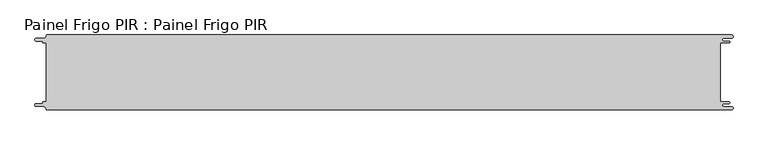
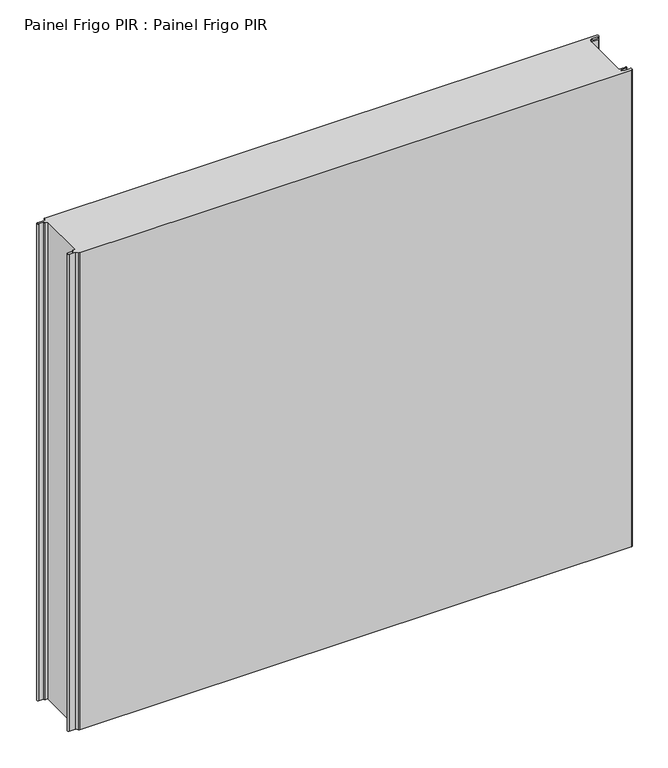
"""IFC4 building model written with IfcOpenShell, lengths in millimetres: proxy geometry, Painel Frigo PIR : Painel Frigo PIR."""

from ifc_helpers import new_model, si_unit, frame, origin, place, context, project, spatial, polyline, circle_curve, source, transform, mapped, element, save
from ifc_brep_helpers import plane_surface, cylinder_surface, revolved_surface, advanced_brep


def painel_frigo_pir_painel_frigo_pir_bb5a8152(model_context):
    return source(origin(), model_context, "Body", "AdvancedBrep", [
        advanced_brep(
        [(-554.5874998, 47.3, 1000.0), (-549.2999612, 47.3, 1000.0), (-549.2999612, -47.2999995, 1000.0), (-554.5874998, -47.2999995, 1000.0), (-555.1875003, -47.9, 1000.0), (-555.1875003, -48.7085185, 1000.0), (-556.5875003, -50.1085185, 1000.0), (-565.565625, -50.1085185, 1000.0), (-565.565625, -54.5085185, 1000.0), (-553.55, -54.5085185, 1000.0), (-550.0, -58.0585185, 1000.0), (-548.05, -60.0, 1000.0), (546.89375, -60.0, 1000.0), (546.89375, -54.725, 1000.0), (534.45625, -54.725, 1000.0), (534.45625, -49.875, 1000.0), (543.1187503, -49.875, 1000.0), (543.1187503, -47.3, 1000.0), (529.2687503, -47.3, 1000.0), (529.2687503, 47.3, 1000.0), (543.1187503, 47.3, 1000.0), (543.1187503, 49.875, 1000.0), (534.45625, 49.875, 1000.0), (534.45625, 54.725, 1000.0), (546.89375, 54.725, 1000.0), (546.89375, 60.0, 1000.0), (-548.05, 60.0, 1000.0), (-550.0, 58.05, 1000.0), (-553.55, 54.5085185, 1000.0), (-565.565625, 54.5085185, 1000.0), (-565.565625, 50.1085187, 1000.0), (-556.5875001, 50.1085187, 1000.0), (-555.1874998, 48.7085184, 1000.0), (-555.1874998, 47.9, 1000.0), (-554.5874998, 47.3, 0.0), (-555.1874998, 47.9, 0.0), (-555.1874998, 48.7085184, 0.0), (-556.5875001, 50.1085187, 0.0), (-565.565625, 50.1085187, 0.0), (-565.565625, 54.5085185, 0.0), (-553.55, 54.5085185, 0.0), (-550.0, 58.0585185, 0.0), (-548.05, 60.0, 0.0), (546.89375, 60.0, 0.0), (546.89375, 54.725, 0.0), (534.45625, 54.725, 0.0), (534.45625, 49.875, 0.0), (543.1187503, 49.875, 0.0), (543.1187503, 47.3, 0.0), (529.2687503, 47.3, 0.0), (529.2687503, -47.3, 0.0), (543.1187503, -47.3, 0.0), (543.1187503, -49.875, 0.0), (534.45625, -49.875, 0.0), (534.45625, -54.725, 0.0), (546.89375, -54.725, 0.0), (546.89375, -60.0, 0.0), (-548.05, -60.0, 0.0), (-550.0, -58.05, 0.0), (-553.55, -54.5085185, 0.0), (-565.565625, -54.5085185, 0.0), (-565.565625, -50.1085185, 0.0), (-556.5875003, -50.1085185, 0.0), (-555.1875003, -48.7085185, 0.0), (-555.1875003, -47.9, 0.0), (-554.5874998, -47.2999995, 0.0), (-549.2999612, -47.2999995, 0.0), (-549.2999612, 47.3, 0.0)],
        [
            (0, 1),
            (1, 2),
            (2, 3),
            (3, 4, circle_curve(frame((-554.5874998, -47.9, 1000.0), z_axis=(0.0, 0.0, 1.0), x_axis=(1.0, 0.0, 0.0)), 0.6000005)),
            (4, 5),
            (5, 6, circle_curve(frame((-556.5875003, -48.7085185, 1000.0), z_axis=(0.0, 0.0, -1.0), x_axis=(1.0, 0.0, 0.0)), 1.4)),
            (6, 7),
            (7, 8, circle_curve(frame((-565.565625, -52.3085185, 1000.0), z_axis=(0.0, 0.0, 1.0), x_axis=(1.0, 0.0, 0.0)), 2.2)),
            (8, 9),
            (9, 10, circle_curve(frame((-553.55, -58.0585185, 1000.0), z_axis=(0.0, 0.0, -1.0), x_axis=(1.0, 0.0, 0.0)), 3.55)),
            (10, 11, circle_curve(frame((-548.05, -58.05, 1000.0), z_axis=(0.0, 0.0, 1.0), x_axis=(1.0, 0.0, 0.0)), 1.95)),
            (11, 12),
            (12, 13, circle_curve(frame((546.89375, -57.3625, 1000.0), z_axis=(0.0, 0.0, 1.0), x_axis=(1.0, 0.0, 0.0)), 2.6375)),
            (13, 14),
            (14, 15, circle_curve(frame((534.45625, -52.3, 1000.0), z_axis=(0.0, 0.0, -1.0), x_axis=(1.0, 0.0, 0.0)), 2.425)),
            (15, 16),
            (16, 17, circle_curve(frame((543.1187503, -48.5875, 1000.0), z_axis=(0.0, 0.0, 1.0), x_axis=(1.0, 0.0, 0.0)), 1.2875)),
            (17, 18),
            (18, 19),
            (19, 20),
            (20, 21, circle_curve(frame((543.1187503, 48.5875, 1000.0), z_axis=(0.0, 0.0, 1.0), x_axis=(1.0, 0.0, 0.0)), 1.2875)),
            (21, 22),
            (22, 23, circle_curve(frame((534.45625, 52.3, 1000.0), z_axis=(0.0, 0.0, -1.0), x_axis=(1.0, 0.0, 0.0)), 2.425)),
            (23, 24),
            (24, 25, circle_curve(frame((546.89375, 57.3625, 1000.0), z_axis=(0.0, 0.0, 1.0), x_axis=(1.0, 0.0, 0.0)), 2.6375)),
            (25, 26),
            (26, 27, circle_curve(frame((-548.05, 58.05, 1000.0), z_axis=(0.0, 0.0, 1.0), x_axis=(1.0, 0.0, 0.0)), 1.95)),
            (27, 28, circle_curve(frame((-553.55, 58.0585185, 1000.0), z_axis=(0.0, 0.0, -1.0), x_axis=(1.0, 0.0, 0.0)), 3.55)),
            (28, 29),
            (29, 30, circle_curve(frame((-565.565625, 52.3085186, 1000.0), z_axis=(0.0, 0.0, 1.0), x_axis=(1.0, 0.0, 0.0)), 2.1999999)),
            (30, 31),
            (31, 32, circle_curve(frame((-556.5875001, 48.7085184, 1000.0), z_axis=(0.0, 0.0, -1.0), x_axis=(1.0, 0.0, 0.0)), 1.4000003)),
            (32, 33),
            (33, 0, circle_curve(frame((-554.5874998, 47.9, 1000.0), z_axis=(0.0, 0.0, 1.0), x_axis=(1.0, 0.0, 0.0)), 0.6)),
            (34, 35, circle_curve(frame((-554.5874998, 47.9, 0.0), z_axis=(0.0, 0.0, -1.0), x_axis=(1.0, 0.0, 0.0)), 0.6)),
            (35, 36),
            (36, 37, circle_curve(frame((-556.5875001, 48.7085184, 0.0), z_axis=(0.0, 0.0, 1.0), x_axis=(1.0, 0.0, 0.0)), 1.4000003)),
            (37, 38),
            (38, 39, circle_curve(frame((-565.565625, 52.3085186, 0.0), z_axis=(0.0, 0.0, -1.0), x_axis=(1.0, 0.0, 0.0)), 2.1999999)),
            (39, 40),
            (40, 41, circle_curve(frame((-553.55, 58.0585185, 0.0), z_axis=(0.0, 0.0, 1.0), x_axis=(1.0, 0.0, 0.0)), 3.55)),
            (41, 42, circle_curve(frame((-548.05, 58.05, 0.0), z_axis=(0.0, 0.0, -1.0), x_axis=(1.0, 0.0, 0.0)), 1.95)),
            (42, 43),
            (43, 44, circle_curve(frame((546.89375, 57.3625, 0.0), z_axis=(0.0, 0.0, -1.0), x_axis=(1.0, 0.0, 0.0)), 2.6375)),
            (44, 45),
            (45, 46, circle_curve(frame((534.45625, 52.3, 0.0), z_axis=(0.0, 0.0, 1.0), x_axis=(1.0, 0.0, 0.0)), 2.425)),
            (46, 47),
            (47, 48, circle_curve(frame((543.1187503, 48.5875, 0.0), z_axis=(0.0, 0.0, -1.0), x_axis=(1.0, 0.0, 0.0)), 1.2875)),
            (48, 49),
            (49, 50),
            (50, 51),
            (51, 52, circle_curve(frame((543.1187503, -48.5875, 0.0), z_axis=(0.0, 0.0, -1.0), x_axis=(1.0, 0.0, 0.0)), 1.2875)),
            (52, 53),
            (53, 54, circle_curve(frame((534.45625, -52.3, 0.0), z_axis=(0.0, 0.0, 1.0), x_axis=(1.0, 0.0, 0.0)), 2.425)),
            (54, 55),
            (55, 56, circle_curve(frame((546.89375, -57.3625, 0.0), z_axis=(0.0, 0.0, -1.0), x_axis=(1.0, 0.0, 0.0)), 2.6375)),
            (56, 57),
            (57, 58, circle_curve(frame((-548.05, -58.05, 0.0), z_axis=(0.0, 0.0, -1.0), x_axis=(1.0, 0.0, 0.0)), 1.95)),
            (58, 59, circle_curve(frame((-553.55, -58.0585185, 0.0), z_axis=(0.0, 0.0, 1.0), x_axis=(1.0, 0.0, 0.0)), 3.55)),
            (59, 60),
            (60, 61, circle_curve(frame((-565.565625, -52.3085185, 0.0), z_axis=(0.0, 0.0, -1.0), x_axis=(1.0, 0.0, 0.0)), 2.2)),
            (61, 62),
            (62, 63, circle_curve(frame((-556.5875003, -48.7085185, 0.0), z_axis=(0.0, 0.0, 1.0), x_axis=(1.0, 0.0, 0.0)), 1.4)),
            (63, 64),
            (64, 65, circle_curve(frame((-554.5874998, -47.9, 0.0), z_axis=(0.0, 0.0, -1.0), x_axis=(1.0, 0.0, 0.0)), 0.6000005)),
            (65, 66),
            (66, 67),
            (67, 34),
            (0, 34),
            (67, 1),
            (66, 2),
            (65, 3),
            (64, 4),
            (63, 5),
            (62, 6),
            (61, 7),
            (60, 8),
            (59, 9),
            (58, 10),
            (57, 11),
            (56, 12),
            (18, 50),
            (49, 19),
            (48, 20),
            (47, 21),
            (46, 22),
            (45, 23),
            (44, 24),
            (43, 25),
            (42, 26),
            (41, 27),
            (40, 28),
            (39, 29),
            (38, 30),
            (37, 31),
            (36, 32),
            (35, 33),
            (55, 13),
            (54, 14),
            (53, 15),
            (52, 16),
            (51, 17),
        ],
        [
            plane_surface(frame((-549.2999612, 47.3, 1000.0), z_axis=(0.0, 0.0, 1.0), x_axis=(1.0, 0.0, 0.0))),
            plane_surface(frame((-549.2999612, 47.3, 0.0), z_axis=(0.0, 0.0, -1.0), x_axis=(-1.0, 0.0, 0.0))),
            plane_surface(frame((-554.5874998, 47.3, 1000.0), z_axis=(0.0, -1.0, 0.0), x_axis=(0.0, 0.0, -1.0))),
            plane_surface(frame((-549.2999612, 47.3, 1000.0), z_axis=(-1.0, 0.0, 0.0), x_axis=(0.0, 0.0, -1.0))),
            plane_surface(frame((-549.2999612, -47.2999995, 1000.0), z_axis=(0.0, 1.0, 0.0), x_axis=(0.0, 0.0, -1.0))),
            cylinder_surface(frame((-554.5874998, -47.9, 0.0), z_axis=(0.0, 0.0, 1.0), x_axis=(1.0, 0.0, 0.0)), 0.6000005),
            plane_surface(frame((-555.1875003, -47.9, 1000.0), z_axis=(-1.0, 1.757860866232952e-12, 0.0), x_axis=(0.0, 0.0, -1.0))),
            revolved_surface(polyline([(-555.1875003, -48.7085185, 0.0), (-555.1875003, -48.7085185, 1000.0)]), (-556.5875003, -48.7085185, 0.0), (0.0, 0.0, -1.0)),
            plane_surface(frame((-556.5875003, -50.1085185, 1000.0), z_axis=(0.0, 1.0, 0.0), x_axis=(0.0, 0.0, -1.0))),
            cylinder_surface(frame((-565.565625, -52.3085185, 0.0), z_axis=(0.0, 0.0, 1.0), x_axis=(1.0, 0.0, 0.0)), 2.2),
            plane_surface(frame((-565.565625, -54.5085185, 1000.0), z_axis=(0.0, -1.0, 0.0), x_axis=(0.0, 0.0, -1.0))),
            revolved_surface(polyline([(-550.0, -58.0585185, 0.0), (-550.0, -58.0585185, 1000.0)]), (-553.55, -58.0585185, 0.0), (0.0, 0.0, -1.0)),
            cylinder_surface(frame((-548.05, -58.05, 0.0), z_axis=(0.0, 0.0, 1.0), x_axis=(1.0, 0.0, 0.0)), 1.95),
            plane_surface(frame((-548.05, -60.0, 1000.0), z_axis=(0.0, -1.0, 0.0), x_axis=(0.0, 0.0, -1.0))),
            plane_surface(frame((529.2687503, -47.3, 1000.0), z_axis=(1.0, 0.0, 0.0), x_axis=(0.0, 0.0, -1.0))),
            plane_surface(frame((529.2687503, 47.3, 1000.0), z_axis=(0.0, -1.0, 0.0), x_axis=(0.0, 0.0, -1.0))),
            cylinder_surface(frame((543.1187503, 48.5875, 0.0), z_axis=(0.0, 0.0, 1.0), x_axis=(1.0, 0.0, 0.0)), 1.2875),
            plane_surface(frame((543.1187503, 49.875, 1000.0), z_axis=(0.0, 1.0, 0.0), x_axis=(0.0, 0.0, -1.0))),
            revolved_surface(polyline([(536.8812499999999, 52.3, 0.0), (536.8812499999999, 52.3, 1000.0)]), (534.45625, 52.3, 0.0), (0.0, 0.0, -1.0)),
            plane_surface(frame((534.45625, 54.725, 1000.0), z_axis=(0.0, -1.0, 0.0), x_axis=(0.0, 0.0, -1.0))),
            cylinder_surface(frame((546.89375, 57.3625, 0.0), z_axis=(0.0, 0.0, 1.0), x_axis=(1.0, 0.0, 0.0)), 2.6375),
            plane_surface(frame((546.89375, 60.0, 1000.0), z_axis=(0.0, 1.0, 0.0), x_axis=(0.0, 0.0, -1.0))),
            cylinder_surface(frame((-548.05, 58.05, 0.0), z_axis=(0.0, 0.0, 1.0), x_axis=(1.0, 0.0, 0.0)), 1.95),
            revolved_surface(polyline([(-550.0, 58.0585185, 0.0), (-550.0, 58.0585185, 1000.0)]), (-553.55, 58.0585185, 0.0), (0.0, 0.0, -1.0)),
            plane_surface(frame((-553.55, 54.5085185, 1000.0), z_axis=(0.0, 1.0, 0.0), x_axis=(0.0, 0.0, -1.0))),
            cylinder_surface(frame((-565.565625, 52.3085186, 0.0), z_axis=(0.0, 0.0, 1.0), x_axis=(1.0, 0.0, 0.0)), 2.1999999),
            plane_surface(frame((-565.565625, 50.1085187, 1000.0), z_axis=(0.0, -1.0, 0.0), x_axis=(0.0, 0.0, -1.0))),
            revolved_surface(polyline([(-555.1874998000001, 48.7085184, 0.0), (-555.1874998000001, 48.7085184, 1000.0)]), (-556.5875001, 48.7085184, 0.0), (0.0, 0.0, -1.0)),
            plane_surface(frame((-555.1874998, 48.7085184, 1000.0), z_axis=(-1.0, 0.0, 0.0), x_axis=(0.0, 0.0, -1.0))),
            cylinder_surface(frame((-554.5874998, 47.9, 0.0), z_axis=(0.0, 0.0, 1.0), x_axis=(1.0, 0.0, 0.0)), 0.6),
            cylinder_surface(frame((546.89375, -57.3625, 0.0), z_axis=(0.0, 0.0, 1.0), x_axis=(1.0, 0.0, 0.0)), 2.6375),
            plane_surface(frame((546.89375, -54.725, 1000.0), z_axis=(0.0, 1.0, 0.0), x_axis=(0.0, 0.0, -1.0))),
            revolved_surface(polyline([(536.8812499999999, -52.3, 0.0), (536.8812499999999, -52.3, 1000.0)]), (534.45625, -52.3, 0.0), (0.0, 0.0, -1.0)),
            plane_surface(frame((534.45625, -49.875, 1000.0), z_axis=(0.0, -1.0, 0.0), x_axis=(0.0, 0.0, -1.0))),
            cylinder_surface(frame((543.1187503, -48.5875, 0.0), z_axis=(0.0, 0.0, 1.0), x_axis=(1.0, 0.0, 0.0)), 1.2875),
            plane_surface(frame((543.1187503, -47.3, 1000.0), z_axis=(0.0, 1.0, 0.0), x_axis=(0.0, 0.0, -1.0))),
        ],
        [
            (0, [[1, 2, 3, 4, 5, 6, 7, 8, 9, 10, 11, 12, 13, 14, 15, 16, 17, 18, 19, 20, 21, 22, 23, 24, 25, 26, 27, 28, 29, 30, 31, 32, 33, 34]]),
            (1, [[35, 36, 37, 38, 39, 40, 41, 42, 43, 44, 45, 46, 47, 48, 49, 50, 51, 52, 53, 54, 55, 56, 57, 58, 59, 60, 61, 62, 63, 64, 65, 66, 67, 68]]),
            (2, [[-1, 69, -68, 70]]),
            (3, [[-2, -70, -67, 71]]),
            (4, [[-3, -71, -66, 72]]),
            (5, [[-4, -72, -65, 73]]),
            (6, [[-5, -73, -64, 74]]),
            (7, [[-6, -74, -63, 75]]),
            (8, [[-7, -75, -62, 76]]),
            (9, [[-8, -76, -61, 77]]),
            (10, [[-9, -77, -60, 78]]),
            (11, [[-10, -78, -59, 79]]),
            (12, [[-11, -79, -58, 80]]),
            (13, [[-12, -80, -57, 81]]),
            (14, [[-19, 82, -50, 83]]),
            (15, [[-20, -83, -49, 84]]),
            (16, [[-21, -84, -48, 85]]),
            (17, [[-22, -85, -47, 86]]),
            (18, [[-23, -86, -46, 87]]),
            (19, [[-24, -87, -45, 88]]),
            (20, [[-25, -88, -44, 89]]),
            (21, [[-26, -89, -43, 90]]),
            (22, [[-27, -90, -42, 91]]),
            (23, [[-28, -91, -41, 92]]),
            (24, [[-29, -92, -40, 93]]),
            (25, [[-30, -93, -39, 94]]),
            (26, [[-31, -94, -38, 95]]),
            (27, [[-32, -95, -37, 96]]),
            (28, [[-33, -96, -36, 97]]),
            (29, [[-34, -97, -35, -69]]),
            (30, [[-13, -81, -56, 98]]),
            (31, [[-14, -98, -55, 99]]),
            (32, [[-15, -99, -54, 100]]),
            (33, [[-16, -100, -53, 101]]),
            (34, [[-17, -101, -52, 102]]),
            (35, [[-18, -102, -51, -82]]),
        ],
    ),
    ])


if __name__ == "__main__":
    model = new_model("IFC4")
    model_context = context("Model", 3, world=origin())
    ifc_project = project(units=[si_unit("LENGTHUNIT", "METRE", prefix="MILLI")], contexts=[model_context])
    site = spatial("IfcSite", under=ifc_project)
    building = spatial("IfcBuilding", under=site)
    placement = place(None, origin())
    painel_frigo_pir_painel_frigo_pir_shape = painel_frigo_pir_painel_frigo_pir_bb5a8152(model_context)
    element("IfcBuildingElementProxy", 1, Name="Painel Frigo PIR : Painel Frigo PIR", ObjectType="Painel Frigo PIR : Painel Frigo PIR", at=placement, inside=building, context=model_context, shape_type="MappedRepresentation", body=[
        mapped(painel_frigo_pir_painel_frigo_pir_shape, transform((0.0, 0.0, 0.0), x_axis=(1.0, 0.0, 0.0), y_axis=(0.0, 1.0, 0.0), z_axis=(0.0, 0.0, 1.0))),
    ])
    save(model, "model.ifc")
